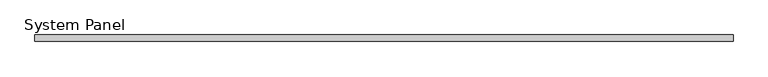
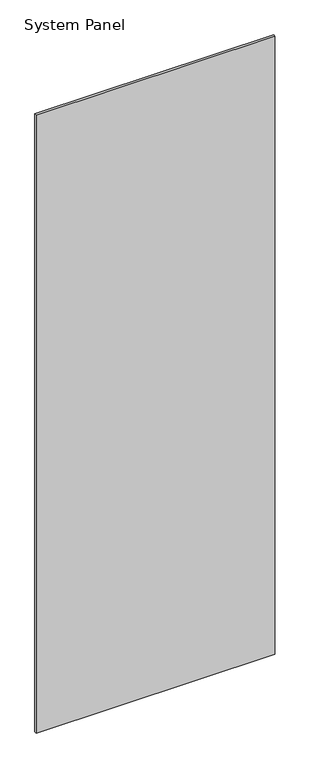
"""IFC4 building model written with IfcOpenShell, lengths in millimetres: plate geometry, System Panel."""

from ifc_helpers import new_model, si_unit, origin, origin_with_axes, place, context, project, spatial, polyline, outline, extrude, source, transform, mapped, element, save


def system_panel_f4236bbe(model_context):
    return source(origin(), model_context, "Body", "SweptSolid", [
        extrude(outline(polyline([(546.7920001, -5.0), (-546.7920001, -5.0), (-546.7920001, 5.0), (546.7920001, 5.0), (546.7920001, -5.0)])), origin_with_axes(), (0.0, 0.0, 1.0), 2991.6097048),
    ])


if __name__ == "__main__":
    model = new_model("IFC4")
    model_context = context("Model", 3, world=origin())
    ifc_project = project(units=[si_unit("LENGTHUNIT", "METRE", prefix="MILLI")], contexts=[model_context])
    site = spatial("IfcSite", under=ifc_project)
    building = spatial("IfcBuilding", under=site)
    placement = place(None, origin())
    system_panel_shape = system_panel_f4236bbe(model_context)
    element("IfcPlate", 1, ObjectType="System Panel", at=placement, inside=building, context=model_context, shape_type="MappedRepresentation", body=[
        mapped(system_panel_shape, transform((0.0, 0.0, 0.0), x_axis=(1.0, 0.0, 0.0), y_axis=(0.0, 1.0, 0.0), z_axis=(0.0, 0.0, 1.0))),
    ])
    save(model, "model.ifc")
